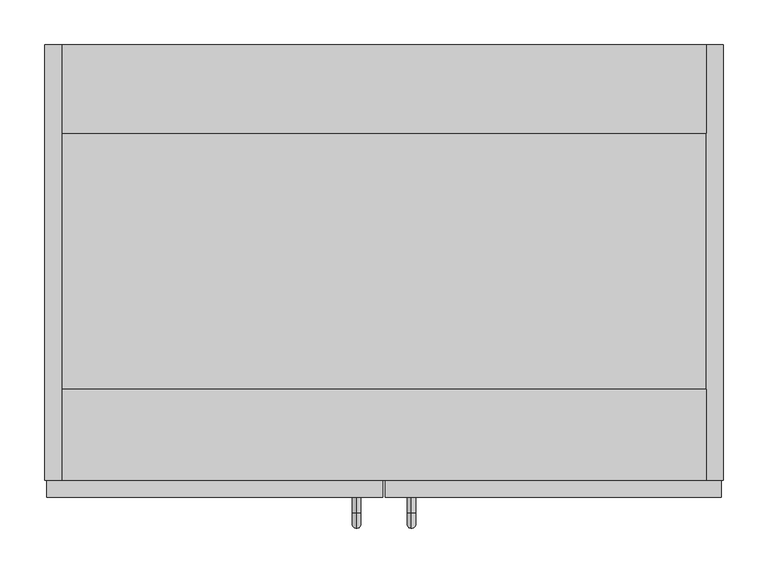
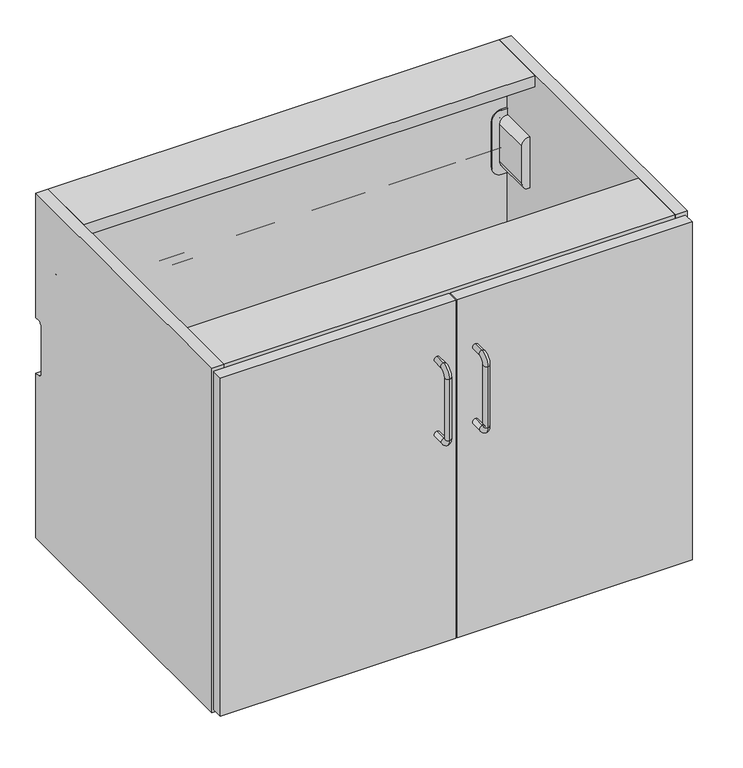
"""IFC4 building model written with IfcOpenShell, lengths in millimetres: furniture geometry."""

from ifc_helpers import new_model, si_unit, point, frame, frame_2d, origin, place, context, project, spatial, polyline, circle_curve, ellipse_curve, trimmed, segment, composite_curve, outline, extrude, source, transform, mapped, element, save
from ifc_brep_helpers import plane_surface, cylinder_surface, revolved_surface, advanced_brep


def furniture_3b9020ba(model_context):
    return source(origin(), model_context, "Body", "SolidModel", [
        extrude(outline(composite_curve([segment(polyline([(-9.5501446, 564.0840487), (-3.0000493, 564.0840487), (-3.0000493, 562.5792956), (-0.7048181, 562.5792956)]), True, "CONTINUOUS"), segment(trimmed(circle_curve(frame_2d((-0.7048181, 561.8745191)), 0.7047764), [point((-0.7048181, 562.5792956))], [point((-4.17e-05, 561.8745192))], False, "CARTESIAN"), True, "CONTINUOUS"), segment(polyline([(-4.17e-05, 561.8745192), (-3.98e-05, 519.8843241), (-2.000049, 519.8843241)]), True, "CONTINUOUS"), segment(trimmed(circle_curve(frame_2d((-1.7912711, 518.6755515)), 1.2266701), [point((-2.000049, 519.8843241))], [point((-3.0000508, 518.8842883))], True, "CARTESIAN"), True, "CONTINUOUS"), segment(trimmed(circle_curve(frame_2d((1.2161345, 518.1562209)), 4.2785863), [point((-3.0000508, 518.8842883))], [point((-0.9918619, 514.4913809))], True, "CARTESIAN"), True, "CONTINUOUS"), segment(trimmed(circle_curve(frame_2d((-2.0494915, 512.7359236)), 2.0494415), [point((-0.9918619, 514.4913809))], [point((-5e-05, 512.7359236))], False, "CARTESIAN"), True, "CONTINUOUS"), segment(polyline([(-5e-05, 512.7359236), (-5e-05, 497.8344588), (-3.0000486, 497.8344588), (-3.0000486, 496.3343081), (-9.3214678, 496.3343081)]), True, "CONTINUOUS"), segment(trimmed(circle_curve(frame_2d((-9.3214678, 497.2628884)), 0.9285803), [point((-9.3214678, 496.3343081))], [point((-10.2500481, 497.2628884))], False, "CARTESIAN"), True, "CONTINUOUS"), segment(polyline([(-10.2500481, 497.2628884), (-10.2500481, 500.6842848), (-8.2500502, 502.6843081), (-4.750053, 502.6843081)]), True, "CONTINUOUS"), segment(trimmed(circle_curve(frame_2d((-4.750053, 503.434313)), 0.7500049), [point((-4.750053, 502.6843081))], [point((-4.0000481, 503.4343131))], True, "CARTESIAN"), True, "CONTINUOUS"), segment(polyline([(-4.0000481, 503.4343131), (-4.0000488, 505.4345761)]), True, "CONTINUOUS"), segment(trimmed(circle_curve(frame_2d((-4.7497612, 505.4345759)), 0.7497123), [point((-4.0000488, 505.4345761))], [point((-4.7497612, 506.1842882))], True, "CARTESIAN"), True, "CONTINUOUS"), segment(polyline([(-4.7497612, 506.1842882), (-8.0000496, 506.1842882), (-8.0000496, 508.1842146), (-4.7500515, 508.1842146)]), True, "CONTINUOUS"), segment(trimmed(circle_curve(frame_2d((-6.3395379, 510.4190246)), 2.7424154), [point((-4.7500515, 508.1842146))], [point((-4.0000513, 511.8499841))], True, "CARTESIAN"), True, "CONTINUOUS"), segment(trimmed(circle_curve(frame_2d((-20.3670715, 501.8390087)), 19.1859058), [point((-4.0000513, 511.8499841))], [point((-6.6449221, 515.2480204))], True, "CARTESIAN"), True, "CONTINUOUS"), segment(trimmed(circle_curve(frame_2d((7.5122438, 529.0821214)), 19.7941328), [point((-6.6449221, 515.2480204))], [point((-7.864877, 516.6180991))], False, "CARTESIAN"), True, "CONTINUOUS"), segment(polyline([(-7.864877, 516.6180991), (-11.0905827, 520.5977186)]), True, "CONTINUOUS"), segment(trimmed(circle_curve(frame_2d((-8.7599469, 522.4868301)), 3.000101), [point((-11.0905827, 520.5977186))], [point((-11.7600479, 522.4868301))], False, "CARTESIAN"), True, "CONTINUOUS"), segment(polyline([(-11.7600479, 522.4868301), (-11.7600479, 529.1309671)]), True, "CONTINUOUS"), segment(trimmed(circle_curve(frame_2d((-10.5537986, 529.1309671)), 1.2062492), [point((-11.7600479, 529.1309671))], [point((-9.3475494, 529.1309671))], False, "CARTESIAN"), True, "CONTINUOUS"), segment(polyline([(-9.3475494, 529.1309671), (-9.3475494, 526.7482947)]), True, "CONTINUOUS"), segment(trimmed(circle_curve(frame_2d((-5.6738416, 526.7729177)), 3.6737903), [point((-9.3475494, 526.7482947))], [point((-2.0000514, 526.7729177))], True, "CARTESIAN"), True, "CONTINUOUS"), segment(polyline([(-2.0000514, 526.7729177), (-2.0000514, 542.0723117)]), True, "CONTINUOUS"), segment(trimmed(circle_curve(frame_2d((-4.2278457, 542.0723117)), 2.2277943), [point((-2.0000514, 542.0723117))], [point((-2.5549945, 543.543582))], True, "CARTESIAN"), True, "CONTINUOUS"), segment(trimmed(circle_curve(frame_2d((-4.2278451, 542.0723107)), 2.2277945), [point((-2.5549945, 543.543582))], [point((-3.2940588, 544.0949603))], True, "CARTESIAN"), True, "CONTINUOUS"), segment(trimmed(circle_curve(frame_2d((-2.7842404, 545.1992644)), 1.2163068), [point((-3.2940588, 544.0949603))], [point((-4.0000431, 545.2342783))], False, "CARTESIAN"), True, "CONTINUOUS"), segment(polyline([(-4.0000431, 545.2342783), (-4.0000428, 556.7345942)]), True, "CONTINUOUS"), segment(trimmed(circle_curve(frame_2d((-4.9997396, 556.7345941)), 0.9996968), [point((-4.0000428, 556.7345942))], [point((-4.9997396, 557.7342909))], True, "CARTESIAN"), True, "CONTINUOUS"), segment(polyline([(-4.9997396, 557.7342909), (-8.2500476, 557.7342909), (-10.2500485, 559.7343142), (-10.2500489, 563.3342883), (-9.5501446, 564.0840487)]), True, "CONTINUOUS")], self_intersect=False)), frame((19.304, 0.0, 0.0), z_axis=(1.0, 0.0, 0.0), x_axis=(0.0, 1.0, 0.0)), (0.0, 0.0, 1.0), 723.392),
        advanced_brep(
        [(739.3672031, -15.7352068, 541.8741769), (739.3672031, -8.4982509, 541.8741769), (733.6499136, -8.4982509, 541.8741769), (733.6499136, -23.4902086, 541.8741769), (742.3428423, -23.4902086, 541.8741769), (742.3428423, -21.5752277, 541.8741769), (739.360055, -8.2962203, 527.8741594), (733.6570616, -8.2962203, 527.8741594), (733.6499136, -23.4902086, 527.8741594), (733.6499136, -15.5720146, 527.8741594), (739.3672031, -15.5720146, 527.8741594), (739.3672031, -15.7352068, 527.8741594), (742.3428423, -21.5752277, 527.8741594), (742.3428423, -23.4902086, 527.8741594), (733.6499136, -8.4982509, 529.0208008), (733.6499136, -9.5295752, 534.8741681), (733.6499136, -14.3245254, 534.8741681), (739.3672031, -8.4982509, 529.0208008), (739.3672031, -14.3245254, 534.8741681), (739.3672031, -9.5295752, 534.8741681)],
        [
            (0, 1),
            (1, 2, circle_curve(frame((736.5085583, -8.4982509, 541.8741769), z_axis=(0.0, 0.0, 1.0), x_axis=(-1.0, 0.0, 0.0)), 2.8586447)),
            (2, 3),
            (3, 4),
            (4, 5),
            (5, 0),
            (6, 7),
            (7, 6, circle_curve(frame((736.5085583, -8.4982509, 527.8741594), z_axis=(0.0, 0.0, -1.0), x_axis=(-1.0, 0.0, 0.0)), 2.8586447)),
            (8, 9),
            (9, 10),
            (10, 11),
            (11, 12),
            (12, 13),
            (13, 8),
            (5, 12),
            (11, 0),
            (2, 14),
            (14, 15),
            (15, 16),
            (16, 9),
            (8, 3),
            (1, 17),
            (17, 6, ellipse_curve(frame((736.5085583, -8.4982509, 529.0208008), z_axis=(0.0, 0.9848302513804711, 0.17352053470952136), x_axis=(0.0, -0.17352053470952136, 0.984830251380471)), 16.4743886, 2.8586447)),
            (7, 14, ellipse_curve(frame((736.5085583, -8.4982509, 529.0208008), z_axis=(0.0, 0.9848302513804711, 0.17352053470952136), x_axis=(0.0, -0.17352053470952136, 0.984830251380471)), 16.4743886, 2.8586447)),
            (10, 18),
            (18, 19),
            (19, 17),
            (4, 13),
            (18, 16),
            (15, 19),
        ],
        [
            plane_surface(frame((742.2500427, -21.3930983, 541.8741769), z_axis=(0.0, 0.0, 1.0), x_axis=(0.45399049973954764, -0.8910065241883675, 0.0))),
            plane_surface(frame((742.2500427, -21.3930983, 527.8741594), z_axis=(0.0, 0.0, -1.0), x_axis=(-0.45399049973954764, 0.8910065241883675, 0.0))),
            plane_surface(frame((739.3672031, -15.7352068, 541.8741769), z_axis=(0.8910065241883675, 0.45399049973954764, 0.0), x_axis=(0.0, 0.0, -1.0))),
            plane_surface(frame((733.6499136, -23.4902086, 541.8741769), z_axis=(-1.0, 0.0, 0.0), x_axis=(0.0, 0.0, -1.0))),
            cylinder_surface(frame((736.5085583, -8.4982509, 527.8741594), z_axis=(0.0, 0.0, 1.0), x_axis=(-1.0, 0.0, 0.0)), 2.8586447),
            plane_surface(frame((739.3672031, -8.4982509, 541.8741769), z_axis=(1.0, 0.0, 0.0), x_axis=(0.0, 0.0, -1.0))),
            plane_surface(frame((742.3428423, -21.5752277, 541.8741769), z_axis=(1.0, 0.0, 0.0), x_axis=(0.0, 0.0, -1.0))),
            plane_surface(frame((742.3428423, -23.4902086, 541.8741769), z_axis=(0.0, -1.0, 0.0), x_axis=(0.0, 0.0, -1.0))),
            plane_surface(frame((680.5727603, -9.5295752, 534.8741681), z_axis=(0.0, 0.0, -1.0), x_axis=(1.0, 0.0, 0.0))),
            plane_surface(frame((680.5727603, -14.3245254, 534.8741681), z_axis=(0.0, 0.9844886613913678, -0.1754482134187542), x_axis=(1.0, 0.0, 0.0))),
            plane_surface(frame((680.5727603, -8.2962203, 527.8741594), z_axis=(0.0, -0.9848302513804711, -0.17352053470952136), x_axis=(1.0, 0.0, 0.0))),
        ],
        [
            (0, [[1, 2, 3, 4, 5, 6]]),
            (1, [[7, 8]]),
            (1, [[9, 10, 11, 12, 13, 14]]),
            (2, [[15, -12, 16, -6]]),
            (3, [[17, 18, 19, 20, -9, 21, -3]]),
            (4, [[22, 23, -8, 24, -17, -2]]),
            (5, [[-16, -11, 25, 26, 27, -22, -1]]),
            (6, [[28, -13, -15, -5]]),
            (7, [[-21, -14, -28, -4]]),
            (8, [[-26, 29, -19, 30]]),
            (9, [[-25, -10, -20, -29]]),
            (10, [[-18, -24, -7, -23, -27, -30]]),
        ],
    ),
        extrude(outline(composite_curve([segment(trimmed(circle_curve(frame_2d((557.6740846, 739.1999564)), 1.499963), [point((557.6740846, 740.6999193))], [point((556.1741216, 739.1999564))], True, "CARTESIAN"), True, "CONTINUOUS"), segment(trimmed(circle_curve(frame_2d((553.6935452, 739.1999564)), 2.4805765), [point((556.1741216, 739.1999564))], [point((554.6227855, 736.9000059))], False, "CARTESIAN"), True, "CONTINUOUS"), segment(polyline([(554.6227855, 736.9000059), (522.2372144, 736.9000059)]), True, "CONTINUOUS"), segment(trimmed(circle_curve(frame_2d((522.2372144, 738.5153186)), 1.6153127), [point((522.2372144, 736.9000059))], [point((520.774193, 739.2000109))], False, "CARTESIAN"), True, "CONTINUOUS"), segment(trimmed(circle_curve(frame_2d((519.2741756, 739.1999019)), 1.5000175), [point((520.774193, 739.2000109))], [point((519.2741756, 740.6999193))], True, "CARTESIAN"), True, "CONTINUOUS"), segment(polyline([(519.2741756, 740.6999193), (490.8741286, 740.6999193), (490.8741286, 742.8000818), (521.3741927, 742.8000818)]), True, "CONTINUOUS"), segment(trimmed(circle_curve(frame_2d((521.3741927, 741.1609414)), 1.6391404), [point((521.3741927, 742.8000818))], [point((522.8741739, 740.5000042))], False, "CARTESIAN"), True, "CONTINUOUS"), segment(trimmed(circle_curve(frame_2d((523.9153989, 740.0412088)), 1.1378237), [point((522.8741739, 740.5000042))], [point((524.3741186, 738.9999504))], True, "CARTESIAN"), True, "CONTINUOUS"), segment(polyline([(524.3741186, 738.9999504), (552.5741415, 738.9999504)]), True, "CONTINUOUS"), segment(trimmed(circle_curve(frame_2d((552.5741415, 740.3471498)), 1.3471994), [point((552.5741415, 738.9999504))], [point((553.8743338, 740.6999193))], True, "CARTESIAN"), True, "CONTINUOUS"), segment(trimmed(circle_curve(frame_2d((555.4825317, 741.1362572)), 1.6663407), [point((553.8743338, 740.6999193))], [point((555.5740674, 742.8000818))], False, "CARTESIAN"), True, "CONTINUOUS"), segment(polyline([(555.5740674, 742.8000818), (571.0741388, 742.8000818), (571.0741388, 740.6999193), (557.6740846, 740.6999193)]), True, "CONTINUOUS")], self_intersect=False)), frame((0.0, -23.4902086, 0.0), z_axis=(0.0, 1.0, 0.0), x_axis=(0.0, 0.0, 1.0)), (0.0, 0.0, 1.0), 3.1878868),
        extrude(outline(composite_curve([segment(polyline([(574.1219542, 742.8000818), (585.3218883, 742.8000818), (585.3218883, 733.0997675)]), True, "CONTINUOUS"), segment(trimmed(circle_curve(frame_2d((570.3221841, 733.0997675)), 14.9997042), [point((585.3218883, 733.0997675))], [point((570.3221841, 718.1000633))], False, "CARTESIAN"), True, "CONTINUOUS"), segment(polyline([(570.3221841, 718.1000633), (491.6179785, 718.1000633)]), True, "CONTINUOUS"), segment(trimmed(circle_curve(frame_2d((491.6179785, 733.1000198)), 14.9999565), [point((491.6179785, 718.1000633))], [point((476.618022, 733.1000198))], False, "CARTESIAN"), True, "CONTINUOUS"), segment(polyline([(476.618022, 733.1000198), (476.618022, 742.8000818), (487.4540103, 742.8000818)]), True, "CONTINUOUS"), segment(trimmed(circle_curve(frame_2d((499.3179082, 741.7856737)), 11.9071868), [point((487.4540103, 742.8000818))], [point((499.3179082, 729.8784868))], True, "CARTESIAN"), True, "CONTINUOUS"), segment(polyline([(499.3179082, 729.8784868), (562.6220384, 729.8784868)]), True, "CONTINUOUS"), segment(trimmed(circle_curve(frame_2d((562.6220384, 741.4566117)), 11.5781249), [point((562.6220384, 729.8784868))], [point((574.1219542, 742.8000818))], True, "CARTESIAN"), True, "CONTINUOUS")], self_intersect=False)), frame((0.0, -23.4902086, 0.0), z_axis=(0.0, 1.0, 0.0), x_axis=(0.0, 0.0, 1.0)), (0.0, 0.0, 1.0), 2.0971104),
        extrude(outline(composite_curve([segment(polyline([(487.4540103, 742.8000818), (574.1219542, 742.8000818)]), True, "CONTINUOUS"), segment(trimmed(circle_curve(frame_2d((562.6220384, 741.4566117)), 11.5781249), [point((574.1219542, 742.8000818))], [point((562.6220384, 729.8784868))], False, "CARTESIAN"), True, "CONTINUOUS"), segment(polyline([(562.6220384, 729.8784868), (499.3179082, 729.8784868)]), True, "CONTINUOUS"), segment(trimmed(circle_curve(frame_2d((499.3179082, 741.7856737)), 11.9071868), [point((499.3179082, 729.8784868))], [point((487.4540103, 742.8000818))], False, "CARTESIAN"), True, "CONTINUOUS")], self_intersect=False)), frame((0.0, -85.5646173, 0.0), z_axis=(0.0, 1.0, 0.0), x_axis=(0.0, 0.0, 1.0)), (0.0, 0.0, 1.0), 62.0744087),
        advanced_brep(
        [(22.6327969, -15.7352068, 541.8741769), (19.6571577, -21.5752277, 541.8741769), (19.6571577, -23.4902086, 541.8741769), (28.3500864, -23.4902086, 541.8741769), (28.3500864, -8.4982509, 541.8741769), (22.6327969, -8.4982509, 541.8741769), (28.3500864, -23.4902086, 527.8741594), (19.6571577, -23.4902086, 527.8741594), (19.6571577, -21.5752277, 527.8741594), (22.6327969, -15.7352068, 527.8741594), (22.6327969, -15.5720146, 527.8741594), (28.3500864, -15.5720146, 527.8741594), (22.639945, -8.2962203, 527.8741594), (28.3429384, -8.2962203, 527.8741594), (28.3500864, -14.3245254, 534.8741681), (28.3500864, -9.5295752, 534.8741681), (28.3500864, -8.4982509, 529.0208008), (22.6327969, -8.4982509, 529.0208008), (22.6327969, -9.5295752, 534.8741681), (22.6327969, -14.3245254, 534.8741681)],
        [
            (0, 1),
            (1, 2),
            (2, 3),
            (3, 4),
            (4, 5, circle_curve(frame((25.4914417, -8.4982509, 541.8741769), z_axis=(0.0, 0.0, 1.0), x_axis=(1.0, 0.0, 0.0)), 2.8586447)),
            (5, 0),
            (6, 7),
            (7, 8),
            (8, 9),
            (9, 10),
            (10, 11),
            (11, 6),
            (12, 13, circle_curve(frame((25.4914417, -8.4982509, 527.8741594), z_axis=(0.0, 0.0, -1.0), x_axis=(1.0, 0.0, 0.0)), 2.8586447)),
            (13, 12),
            (0, 9),
            (8, 1),
            (3, 6),
            (11, 14),
            (14, 15),
            (15, 16),
            (16, 4),
            (16, 13, ellipse_curve(frame((25.4914417, -8.4982509, 529.0208008), z_axis=(0.0, 0.9848302513804711, 0.17352053470952136), x_axis=(0.0, -0.17352053470952136, 0.984830251380471)), 16.4743886, 2.8586447)),
            (12, 17, ellipse_curve(frame((25.4914417, -8.4982509, 529.0208008), z_axis=(0.0, 0.9848302513804711, 0.17352053470952136), x_axis=(0.0, -0.17352053470952136, 0.984830251380471)), 16.4743886, 2.8586447)),
            (17, 5),
            (17, 18),
            (18, 19),
            (19, 10),
            (7, 2),
            (18, 15),
            (14, 19),
        ],
        [
            plane_surface(frame((19.7499573, -21.3930983, 541.8741769), z_axis=(0.0, 0.0, 1.0), x_axis=(-0.45399049973954764, -0.8910065241883675, 0.0))),
            plane_surface(frame((19.7499573, -21.3930983, 527.8741594), z_axis=(0.0, 0.0, -1.0), x_axis=(0.45399049973954764, 0.8910065241883675, 0.0))),
            plane_surface(frame((22.6327969, -15.7352068, 541.8741769), z_axis=(-0.8910065241883675, 0.45399049973954764, 0.0), x_axis=(0.0, 0.0, -1.0))),
            plane_surface(frame((28.3500864, -23.4902086, 541.8741769), z_axis=(1.0, 0.0, 0.0), x_axis=(0.0, 0.0, -1.0))),
            cylinder_surface(frame((25.4914417, -8.4982509, 527.8741594), z_axis=(0.0, 0.0, 1.0), x_axis=(1.0, 0.0, 0.0)), 2.8586447),
            plane_surface(frame((22.6327969, -8.4982509, 541.8741769), z_axis=(-1.0, 0.0, 0.0), x_axis=(0.0, 0.0, -1.0))),
            plane_surface(frame((19.6571577, -21.5752277, 541.8741769), z_axis=(-1.0, 0.0, 0.0), x_axis=(0.0, 0.0, -1.0))),
            plane_surface(frame((19.6571577, -23.4902086, 541.8741769), z_axis=(0.0, -1.0, 0.0), x_axis=(0.0, 0.0, -1.0))),
            plane_surface(frame((81.4272397, -9.5295752, 534.8741681), z_axis=(0.0, 0.0, -1.0), x_axis=(-1.0, 0.0, 0.0))),
            plane_surface(frame((81.4272397, -14.3245254, 534.8741681), z_axis=(0.0, 0.9844886613913678, -0.1754482134187542), x_axis=(-1.0, 0.0, 0.0))),
            plane_surface(frame((81.4272397, -8.2962203, 527.8741594), z_axis=(0.0, -0.9848302513804711, -0.17352053470952136), x_axis=(-1.0, 0.0, 0.0))),
        ],
        [
            (0, [[1, 2, 3, 4, 5, 6]]),
            (1, [[7, 8, 9, 10, 11, 12]]),
            (1, [[13, 14]]),
            (2, [[-1, 15, -9, 16]]),
            (3, [[-4, 17, -12, 18, 19, 20, 21]]),
            (4, [[-5, -21, 22, -13, 23, 24]]),
            (5, [[-6, -24, 25, 26, 27, -10, -15]]),
            (6, [[-2, -16, -8, 28]]),
            (7, [[-3, -28, -7, -17]]),
            (8, [[29, -19, 30, -26]]),
            (9, [[-30, -18, -11, -27]]),
            (10, [[-29, -25, -23, -14, -22, -20]]),
        ],
    ),
        extrude(outline(composite_curve([segment(polyline([(557.6740846, 21.3000807), (571.0741388, 21.3000807), (571.0741388, 19.1999182), (555.5740674, 19.1999182)]), True, "CONTINUOUS"), segment(trimmed(circle_curve(frame_2d((555.4825317, 20.8637428)), 1.6663407), [point((555.5740674, 19.1999182))], [point((553.8743338, 21.3000807))], False, "CARTESIAN"), True, "CONTINUOUS"), segment(trimmed(circle_curve(frame_2d((552.5741415, 21.6528502)), 1.3471994), [point((553.8743338, 21.3000807))], [point((552.5741415, 23.0000496))], True, "CARTESIAN"), True, "CONTINUOUS"), segment(polyline([(552.5741415, 23.0000496), (524.3741186, 23.0000496)]), True, "CONTINUOUS"), segment(trimmed(circle_curve(frame_2d((523.9153989, 21.9587912)), 1.1378237), [point((524.3741186, 23.0000496))], [point((522.8741739, 21.4999958))], True, "CARTESIAN"), True, "CONTINUOUS"), segment(trimmed(circle_curve(frame_2d((521.3741927, 20.8390586)), 1.6391404), [point((522.8741739, 21.4999958))], [point((521.3741927, 19.1999182))], False, "CARTESIAN"), True, "CONTINUOUS"), segment(polyline([(521.3741927, 19.1999182), (490.8741286, 19.1999182), (490.8741286, 21.3000807), (519.2741756, 21.3000807)]), True, "CONTINUOUS"), segment(trimmed(circle_curve(frame_2d((519.2741756, 22.8000981)), 1.5000175), [point((519.2741756, 21.3000807))], [point((520.774193, 22.7999891))], True, "CARTESIAN"), True, "CONTINUOUS"), segment(trimmed(circle_curve(frame_2d((522.2372144, 23.4846814)), 1.6153127), [point((520.774193, 22.7999891))], [point((522.2372144, 25.0999941))], False, "CARTESIAN"), True, "CONTINUOUS"), segment(polyline([(522.2372144, 25.0999941), (554.6227855, 25.0999941)]), True, "CONTINUOUS"), segment(trimmed(circle_curve(frame_2d((553.6935452, 22.8000436)), 2.4805765), [point((554.6227855, 25.0999941))], [point((556.1741216, 22.8000436))], False, "CARTESIAN"), True, "CONTINUOUS"), segment(trimmed(circle_curve(frame_2d((557.6740846, 22.8000436)), 1.499963), [point((556.1741216, 22.8000436))], [point((557.6740846, 21.3000807))], True, "CARTESIAN"), True, "CONTINUOUS")], self_intersect=False)), frame((0.0, -23.4902086, 0.0), z_axis=(0.0, 1.0, 0.0), x_axis=(0.0, 0.0, 1.0)), (0.0, 0.0, 1.0), 3.1878868),
        extrude(outline(composite_curve([segment(trimmed(circle_curve(frame_2d((562.6220384, 20.5433883)), 11.5781249), [point((574.1219542, 19.1999182))], [point((562.6220384, 32.1215132))], True, "CARTESIAN"), True, "CONTINUOUS"), segment(polyline([(562.6220384, 32.1215132), (499.3179082, 32.1215132)]), True, "CONTINUOUS"), segment(trimmed(circle_curve(frame_2d((499.3179082, 20.2143263)), 11.9071868), [point((499.3179082, 32.1215132))], [point((487.4540103, 19.1999182))], True, "CARTESIAN"), True, "CONTINUOUS"), segment(polyline([(487.4540103, 19.1999182), (476.618022, 19.1999182), (476.618022, 28.8999802)]), True, "CONTINUOUS"), segment(trimmed(circle_curve(frame_2d((491.6179785, 28.8999802)), 14.9999565), [point((476.618022, 28.8999802))], [point((491.6179785, 43.8999367))], False, "CARTESIAN"), True, "CONTINUOUS"), segment(polyline([(491.6179785, 43.8999367), (570.3221841, 43.8999367)]), True, "CONTINUOUS"), segment(trimmed(circle_curve(frame_2d((570.3221841, 28.9002325)), 14.9997042), [point((570.3221841, 43.8999367))], [point((585.3218883, 28.9002325))], False, "CARTESIAN"), True, "CONTINUOUS"), segment(polyline([(585.3218883, 28.9002325), (585.3218883, 19.1999182), (574.1219542, 19.1999182)]), True, "CONTINUOUS")], self_intersect=False)), frame((0.0, -23.4902086, 0.0), z_axis=(0.0, 1.0, 0.0), x_axis=(0.0, 0.0, 1.0)), (0.0, 0.0, 1.0), 2.0971104),
        extrude(outline(composite_curve([segment(trimmed(circle_curve(frame_2d((499.3179082, 20.2143263)), 11.9071868), [point((487.4540103, 19.1999182))], [point((499.3179082, 32.1215132))], False, "CARTESIAN"), True, "CONTINUOUS"), segment(polyline([(499.3179082, 32.1215132), (562.6220384, 32.1215132)]), True, "CONTINUOUS"), segment(trimmed(circle_curve(frame_2d((562.6220384, 20.5433883)), 11.5781249), [point((562.6220384, 32.1215132))], [point((574.1219542, 19.1999182))], False, "CARTESIAN"), True, "CONTINUOUS"), segment(polyline([(574.1219542, 19.1999182), (487.4540103, 19.1999182)]), True, "CONTINUOUS")], self_intersect=False)), frame((0.0, -85.5646173, 0.0), z_axis=(0.0, 1.0, 0.0), x_axis=(0.0, 0.0, 1.0)), (0.0, 0.0, 1.0), 62.0744087),
        extrude(outline(polyline([(759.4998619, -488.8000092), (19.1999182, -488.8000092), (19.1999182, -21.29979), (759.4998619, -21.29979), (759.4998619, -488.8000092)])), frame((0.0, 0.0, 102.3999724), z_axis=(0.0, 0.0, 1.0), x_axis=(1.0, 0.0, 0.0)), (0.0, 0.0, 1.0), 13.4000087),
        advanced_brep(
        [(350.1761072, -508.0, 586.0154803), (350.1761072, -508.0, 595.6684644), (350.1761072, -525.4719955, 595.6684644), (350.1761072, -525.4719955, 586.0154803), (350.1761072, -533.3455035, 578.1419724), (350.1761072, -542.9984876, 578.1419724), (350.1761072, -542.9984876, 474.2914197), (350.1761072, -533.3455035, 474.2914197), (350.1761072, -527.7225483, 468.6684644), (350.1761072, -527.7225483, 459.0154803), (350.1761072, -508.0, 468.6684644), (350.1761072, -508.0, 459.0154803)],
        [
            (0, 1, circle_curve(frame((350.1761072, -508.0, 590.8419724), z_axis=(0.0, 1.0, 0.0), x_axis=(0.0, 0.0, 1.0)), 4.8264921)),
            (1, 0, circle_curve(frame((350.1761072, -508.0, 590.8419724), z_axis=(0.0, 1.0, 0.0), x_axis=(0.0, 0.0, 1.0)), 4.8264921)),
            (1, 2),
            (2, 3, circle_curve(frame((350.1761072, -525.4719955, 590.8419724), z_axis=(0.0, 1.0, 0.0), x_axis=(0.0, 0.0, 1.0)), 4.8264921)),
            (3, 0),
            (3, 2, circle_curve(frame((350.1761072, -525.4719955, 590.8419724), z_axis=(0.0, 1.0, 0.0), x_axis=(0.0, 0.0, 1.0)), 4.8264921)),
            (4, 3, circle_curve(frame((350.1761072, -525.4719955, 578.1419724), z_axis=(-1.0, 0.0, 0.0), x_axis=(0.0, 0.0, 1.0)), 7.8735079)),
            (2, 5, circle_curve(frame((350.1761072, -525.4719955, 578.1419724), z_axis=(1.0, 0.0, 0.0), x_axis=(0.0, 0.0, 1.0)), 17.5264921)),
            (5, 4, circle_curve(frame((350.1761072, -538.1719955, 578.1419724), z_axis=(0.0, 0.0, 1.0), x_axis=(0.0, -1.0, 0.0)), 4.8264921)),
            (4, 5, circle_curve(frame((350.1761072, -538.1719955, 578.1419724), z_axis=(0.0, 0.0, 1.0), x_axis=(0.0, -1.0, 0.0)), 4.8264921)),
            (5, 6),
            (6, 7, circle_curve(frame((350.1761072, -538.1719955, 474.2914197), z_axis=(0.0, 0.0, 1.0), x_axis=(0.0, -1.0, 0.0)), 4.8264921)),
            (7, 4),
            (7, 6, circle_curve(frame((350.1761072, -538.1719955, 474.2914197), z_axis=(0.0, 0.0, 1.0), x_axis=(0.0, -1.0, 0.0)), 4.8264921)),
            (8, 7, circle_curve(frame((350.1761072, -527.7225483, 474.2914197), z_axis=(-1.0, 0.0, 0.0), x_axis=(0.0, -1.0, 0.0)), 5.6229552)),
            (6, 9, circle_curve(frame((350.1761072, -527.7225483, 474.2914197), z_axis=(1.0, 0.0, 0.0), x_axis=(0.0, -1.0, 0.0)), 15.2759393)),
            (9, 8, circle_curve(frame((350.1761072, -527.7225483, 463.8419724), z_axis=(0.0, -1.0, 0.0), x_axis=(0.0, 0.0, -1.0)), 4.8264921)),
            (8, 9, circle_curve(frame((350.1761072, -527.7225483, 463.8419724), z_axis=(0.0, -1.0, 0.0), x_axis=(0.0, 0.0, -1.0)), 4.8264921)),
            (10, 11, circle_curve(frame((350.1761072, -508.0, 463.8419724), z_axis=(0.0, 1.0, 0.0), x_axis=(0.0, 0.0, -1.0)), 4.8264921)),
            (11, 10, circle_curve(frame((350.1761072, -508.0, 463.8419724), z_axis=(0.0, 1.0, 0.0), x_axis=(0.0, 0.0, -1.0)), 4.8264921)),
            (9, 11),
            (10, 8),
        ],
        [
            plane_surface(frame((350.266, -508.0, 590.8419724), z_axis=(0.0, 1.0, 0.0), x_axis=(-1.0, 0.0, 0.0))),
            cylinder_surface(frame((350.1761072, -508.0, 590.8419724), z_axis=(0.0, 1.0, 0.0), x_axis=(0.0, 0.0, 1.0)), 4.8264921),
            revolved_surface(trimmed(ellipse_curve(frame((350.1761072, -525.4719955, 590.8419724), z_axis=(0.0, 1.0, 0.0), x_axis=(0.0, 0.0, 1.0)), 4.8264921, 4.8264921), [point((350.1761072, -525.4719955, 595.6684644))], [point((350.1761072, -525.4719955, 586.0154803))], True, "CARTESIAN"), (350.266, -525.4719955, 578.1419724), (1.0, 0.0, 0.0)),
            revolved_surface(trimmed(ellipse_curve(frame((350.1761072, -525.4719955, 590.8419724), z_axis=(0.0, 1.0, 0.0), x_axis=(0.0, 0.0, 1.0)), 4.8264921, 4.8264921), [point((350.1761072, -525.4719955, 586.0154803))], [point((350.1761072, -525.4719955, 595.6684644))], True, "CARTESIAN"), (350.266, -525.4719955, 578.1419724), (1.0, 0.0, 0.0)),
            cylinder_surface(frame((350.1761072, -538.1719955, 578.1419724), z_axis=(0.0, 0.0, 1.0), x_axis=(0.0, -1.0, 0.0)), 4.8264921),
            revolved_surface(trimmed(ellipse_curve(frame((350.1761072, -538.1719955, 474.2914197), z_axis=(0.0, 0.0, 1.0), x_axis=(0.0, -1.0, 0.0)), 4.8264921, 4.8264921), [point((350.1761072, -542.9984876, 474.2914197))], [point((350.1761072, -533.3455035, 474.2914197))], True, "CARTESIAN"), (350.266, -527.7225483, 474.2914197), (1.0, 0.0, 0.0)),
            revolved_surface(trimmed(ellipse_curve(frame((350.1761072, -538.1719955, 474.2914197), z_axis=(0.0, 0.0, 1.0), x_axis=(0.0, -1.0, 0.0)), 4.8264921, 4.8264921), [point((350.1761072, -533.3455035, 474.2914197))], [point((350.1761072, -542.9984876, 474.2914197))], True, "CARTESIAN"), (350.266, -527.7225483, 474.2914197), (1.0, 0.0, 0.0)),
            plane_surface(frame((350.266, -508.0, 463.8419724), z_axis=(0.0, 1.0, 0.0), x_axis=(-1.0, 0.0, 0.0))),
            cylinder_surface(frame((350.1761072, -527.7225483, 463.8419724), z_axis=(0.0, -1.0, 0.0), x_axis=(0.0, 0.0, -1.0)), 4.8264921),
        ],
        [
            (0, [[1, 2]]),
            (1, [[-2, 3, 4, 5]]),
            (1, [[-1, -5, 6, -3]]),
            (2, [[7, -4, 8, 9]]),
            (3, [[-8, -6, -7, 10]]),
            (4, [[-9, 11, 12, 13]]),
            (4, [[-10, -13, 14, -11]]),
            (5, [[15, -12, 16, 17]]),
            (6, [[-16, -14, -15, 18]]),
            (7, [[19, 20]]),
            (8, [[-17, 21, -19, 22]]),
            (8, [[-18, -22, -20, -21]]),
        ],
    ),
        advanced_brep(
        [(411.8238928, -508.0, 595.6684644), (411.8238928, -508.0, 586.0154803), (411.8238928, -525.4719955, 595.6684644), (411.8238928, -525.4719955, 586.0154803), (411.8238928, -533.3455035, 578.1419724), (411.8238928, -542.9984876, 578.1419724), (411.8238928, -542.9984876, 474.2914197), (411.8238928, -533.3455035, 474.2914197), (411.8238928, -527.7225483, 468.6684644), (411.8238928, -527.7225483, 459.0154803), (411.8238928, -508.0, 459.0154803), (411.8238928, -508.0, 468.6684644)],
        [
            (0, 1, circle_curve(frame((411.8238928, -508.0, 590.8419724), z_axis=(0.0, 1.0, 0.0), x_axis=(0.0, 0.0, -1.0)), 4.8264921)),
            (1, 0, circle_curve(frame((411.8238928, -508.0, 590.8419724), z_axis=(0.0, 1.0, 0.0), x_axis=(0.0, 0.0, -1.0)), 4.8264921)),
            (0, 2),
            (2, 3, circle_curve(frame((411.8238928, -525.4719955, 590.8419724), z_axis=(0.0, 1.0, 0.0), x_axis=(0.0, 0.0, -1.0)), 4.8264921)),
            (3, 1),
            (3, 2, circle_curve(frame((411.8238928, -525.4719955, 590.8419724), z_axis=(0.0, 1.0, 0.0), x_axis=(0.0, 0.0, -1.0)), 4.8264921)),
            (4, 3, circle_curve(frame((411.8238928, -525.4719955, 578.1419724), z_axis=(-1.0, 0.0, 0.0), x_axis=(0.0, 0.0, 1.0)), 7.8735079)),
            (2, 5, circle_curve(frame((411.8238928, -525.4719955, 578.1419724), z_axis=(1.0, 0.0, 0.0), x_axis=(0.0, 0.0, 1.0)), 17.5264921)),
            (5, 4, circle_curve(frame((411.8238928, -538.1719955, 578.1419724), z_axis=(0.0, 0.0, 1.0), x_axis=(0.0, 1.0, 0.0)), 4.8264921)),
            (4, 5, circle_curve(frame((411.8238928, -538.1719955, 578.1419724), z_axis=(0.0, 0.0, 1.0), x_axis=(0.0, 1.0, 0.0)), 4.8264921)),
            (5, 6),
            (6, 7, circle_curve(frame((411.8238928, -538.1719955, 474.2914197), z_axis=(0.0, 0.0, 1.0), x_axis=(0.0, 1.0, 0.0)), 4.8264921)),
            (7, 4),
            (7, 6, circle_curve(frame((411.8238928, -538.1719955, 474.2914197), z_axis=(0.0, 0.0, 1.0), x_axis=(0.0, 1.0, 0.0)), 4.8264921)),
            (8, 7, circle_curve(frame((411.8238928, -527.7225483, 474.2914197), z_axis=(-1.0, 0.0, 0.0), x_axis=(0.0, -1.0, 0.0)), 5.6229552)),
            (6, 9, circle_curve(frame((411.8238928, -527.7225483, 474.2914197), z_axis=(1.0, 0.0, 0.0), x_axis=(0.0, -1.0, 0.0)), 15.2759393)),
            (9, 8, circle_curve(frame((411.8238928, -527.7225483, 463.8419724), z_axis=(0.0, -1.0, 0.0), x_axis=(0.0, 0.0, 1.0)), 4.8264921)),
            (8, 9, circle_curve(frame((411.8238928, -527.7225483, 463.8419724), z_axis=(0.0, -1.0, 0.0), x_axis=(0.0, 0.0, 1.0)), 4.8264921)),
            (10, 11, circle_curve(frame((411.8238928, -508.0, 463.8419724), z_axis=(0.0, 1.0, 0.0), x_axis=(0.0, 0.0, 1.0)), 4.8264921)),
            (11, 10, circle_curve(frame((411.8238928, -508.0, 463.8419724), z_axis=(0.0, 1.0, 0.0), x_axis=(0.0, 0.0, 1.0)), 4.8264921)),
            (9, 10),
            (11, 8),
        ],
        [
            plane_surface(frame((411.734, -508.0, 590.8419724), z_axis=(0.0, 1.0, 0.0), x_axis=(1.0, 0.0, 0.0))),
            cylinder_surface(frame((411.8238928, -508.0, 590.8419724), z_axis=(0.0, 1.0, 0.0), x_axis=(0.0, 0.0, -1.0)), 4.8264921),
            revolved_surface(trimmed(ellipse_curve(frame((411.8238928, -525.4719955, 590.8419724), z_axis=(0.0, 1.0, 0.0), x_axis=(0.0, 0.0, -1.0)), 4.8264921, 4.8264921), [point((411.8238928, -525.4719955, 595.6684644))], [point((411.8238928, -525.4719955, 586.0154803))], True, "CARTESIAN"), (411.734, -525.4719955, 578.1419724), (1.0, 0.0, 0.0)),
            revolved_surface(trimmed(ellipse_curve(frame((411.8238928, -525.4719955, 590.8419724), z_axis=(0.0, 1.0, 0.0), x_axis=(0.0, 0.0, -1.0)), 4.8264921, 4.8264921), [point((411.8238928, -525.4719955, 586.0154803))], [point((411.8238928, -525.4719955, 595.6684644))], True, "CARTESIAN"), (411.734, -525.4719955, 578.1419724), (1.0, 0.0, 0.0)),
            cylinder_surface(frame((411.8238928, -538.1719955, 578.1419724), z_axis=(0.0, 0.0, 1.0), x_axis=(0.0, 1.0, 0.0)), 4.8264921),
            revolved_surface(trimmed(ellipse_curve(frame((411.8238928, -538.1719955, 474.2914197), z_axis=(0.0, 0.0, 1.0), x_axis=(0.0, 1.0, 0.0)), 4.8264921, 4.8264921), [point((411.8238928, -542.9984876, 474.2914197))], [point((411.8238928, -533.3455035, 474.2914197))], True, "CARTESIAN"), (411.734, -527.7225483, 474.2914197), (1.0, 0.0, 0.0)),
            revolved_surface(trimmed(ellipse_curve(frame((411.8238928, -538.1719955, 474.2914197), z_axis=(0.0, 0.0, 1.0), x_axis=(0.0, 1.0, 0.0)), 4.8264921, 4.8264921), [point((411.8238928, -533.3455035, 474.2914197))], [point((411.8238928, -542.9984876, 474.2914197))], True, "CARTESIAN"), (411.734, -527.7225483, 474.2914197), (1.0, 0.0, 0.0)),
            plane_surface(frame((411.734, -508.0, 463.8419724), z_axis=(0.0, 1.0, 0.0), x_axis=(1.0, 0.0, 0.0))),
            cylinder_surface(frame((411.8238928, -527.7225483, 463.8419724), z_axis=(0.0, -1.0, 0.0), x_axis=(0.0, 0.0, 1.0)), 4.8264921),
        ],
        [
            (0, [[1, 2]]),
            (1, [[-1, 3, 4, 5]]),
            (1, [[-2, -5, 6, -3]]),
            (2, [[7, -4, 8, 9]]),
            (3, [[-8, -6, -7, 10]]),
            (4, [[-9, 11, 12, 13]]),
            (4, [[-10, -13, 14, -11]]),
            (5, [[15, -12, 16, 17]]),
            (6, [[-16, -14, -15, 18]]),
            (7, [[19, 20]]),
            (8, [[-17, 21, -20, 22]]),
            (8, [[-18, -22, -19, -21]]),
        ],
    ),
        extrude(outline(polyline([(379.73, -508.0), (2.4999928, -508.0), (2.4999928, -488.8000092), (379.73, -488.8000092), (379.73, -508.0)])), frame((0.0, 0.0, 107.2000337), z_axis=(0.0, 0.0, 1.0), x_axis=(1.0, 0.0, 0.0)), (0.0, 0.0, 1.0), 573.0501083),
        extrude(outline(polyline([(759.4998619, -508.0), (382.27, -508.0), (382.27, -488.8000092), (759.4998619, -488.8000092), (759.4998619, -508.0)])), frame((0.0, 0.0, 107.2000337), z_axis=(0.0, 0.0, 1.0), x_axis=(1.0, 0.0, 0.0)), (0.0, 0.0, 1.0), 573.0501083),
        extrude(outline(composite_curve([segment(polyline([(667.1999937, 19.1999182), (581.2354735, 19.1999182)]), True, "CONTINUOUS"), segment(trimmed(circle_curve(frame_2d((569.7355577, 20.5433883)), 11.5781249), [point((581.2354735, 19.1999182))], [point((569.7355577, 32.1215132))], True, "CARTESIAN"), True, "CONTINUOUS"), segment(polyline([(569.7355577, 32.1215132), (506.4314275, 32.1215132)]), True, "CONTINUOUS"), segment(trimmed(circle_curve(frame_2d((506.4314275, 20.2143263)), 11.9071868), [point((506.4314275, 32.1215132))], [point((494.567542, 19.1997728))], True, "CARTESIAN"), True, "CONTINUOUS"), segment(polyline([(494.567542, 19.1997728), (117.1999411, 19.1997728), (117.1999411, 742.8000818), (494.5675296, 742.8000818)]), True, "CONTINUOUS"), segment(trimmed(circle_curve(frame_2d((503.076248, 741.7856737)), 8.5689739), [point((494.5675296, 742.8000818))], [point((503.076248, 733.2166997))], True, "CARTESIAN"), True, "CONTINUOUS"), segment(polyline([(503.076248, 733.2166997), (573.1058218, 733.2166997)]), True, "CONTINUOUS"), segment(trimmed(circle_curve(frame_2d((573.1058218, 741.4566117)), 8.239912), [point((573.1058218, 733.2166997))], [point((581.2354735, 742.8000818))], True, "CARTESIAN"), True, "CONTINUOUS"), segment(polyline([(581.2354735, 742.8000818), (667.1999937, 742.8000818), (667.1999937, 19.1999182)]), True, "CONTINUOUS")], self_intersect=False)), frame((0.0, -21.29979, 0.0), z_axis=(0.0, 1.0, 0.0), x_axis=(0.0, 0.0, 1.0)), (0.0, 0.0, 1.0), 5.5000277),
        extrude(outline(composite_curve([segment(polyline([(0.0, 475.5700027), (-7.0799022, 475.5700027)]), True, "CONTINUOUS"), segment(trimmed(circle_curve(frame_2d((-7.0799022, 467.9500027)), 7.62), [point((-7.0799022, 475.5700027))], [point((-14.6999022, 467.9500027))], True, "CARTESIAN"), True, "CONTINUOUS"), segment(polyline([(-14.6999022, 467.9500027), (-14.6999022, 389.1899991)]), True, "CONTINUOUS"), segment(trimmed(circle_curve(frame_2d((-7.0799022, 389.1899991)), 7.62), [point((-14.6999022, 389.1899991))], [point((-7.0799022, 381.5699991))], True, "CARTESIAN"), True, "CONTINUOUS"), segment(polyline([(-7.0799022, 381.5699991), (0.0, 381.5699991), (0.0, 102.3999724), (-488.8000092, 102.3999724), (-488.8000092, 686.5999724), (0.0, 686.5999724), (0.0, 475.5700027)]), True, "CONTINUOUS")], self_intersect=False)), frame((-0.0001453, 0.0, 0.0), z_axis=(1.0, 0.0, 0.0), x_axis=(0.0, 1.0, 0.0)), (0.0, 0.0, 1.0), 19.1999182),
        extrude(outline(polyline([(742.8000818, 0.0), (742.8000818, -14.6999022), (0.0, -14.6999022), (0.0, 0.0), (742.8000818, 0.0)])), frame((0.0, 0.0, 155.8999135), z_axis=(0.0, 0.0, 1.0), x_axis=(1.0, 0.0, 0.0)), (0.0, 0.0, 1.0), 99.0002253),
        extrude(outline(polyline([(742.8000818, 0.0), (742.8000818, -99.391971), (19.1999182, -99.391971), (19.1999182, 0.0), (742.8000818, 0.0)])), frame((0.0, 0.0, 667.1999937), z_axis=(0.0, 0.0, 1.0), x_axis=(1.0, 0.0, 0.0)), (0.0, 0.0, 1.0), 19.3999786),
        extrude(outline(polyline([(742.8000818, -386.9998276), (742.8000818, -488.8000092), (19.1999182, -488.8000092), (19.1999182, -386.9998276), (742.8000818, -386.9998276)])), frame((0.0, 0.0, 667.1999937), z_axis=(0.0, 0.0, 1.0), x_axis=(1.0, 0.0, 0.0)), (0.0, 0.0, 1.0), 19.3999786),
        extrude(outline(composite_curve([segment(polyline([(0.0, 577.9699751), (-7.1798234, 577.9699751)]), True, "CONTINUOUS"), segment(trimmed(circle_curve(frame_2d((-7.1798234, 570.3499751)), 7.62), [point((-7.1798234, 577.9699751))], [point((-14.7998234, 570.3499751))], True, "CARTESIAN"), True, "CONTINUOUS"), segment(polyline([(-14.7998234, 570.3499751), (-14.7998234, 491.5899715)]), True, "CONTINUOUS"), segment(trimmed(circle_curve(frame_2d((-7.1798234, 491.5899715)), 7.62), [point((-14.7998234, 491.5899715))], [point((-7.1798234, 483.9699715))], True, "CARTESIAN"), True, "CONTINUOUS"), segment(polyline([(-7.1798234, 483.9699715), (0.0, 483.9699715), (0.0, 102.3999724), (-488.8000092, 102.3999724), (-488.8000092, 686.5999724), (0.0, 686.5999724), (0.0, 577.9699751)]), True, "CONTINUOUS")], self_intersect=False)), frame((742.8000818, 0.0, 0.0), z_axis=(1.0, 0.0, 0.0), x_axis=(0.0, 1.0, 0.0)), (0.0, 0.0, 1.0), 19.1999182),
    ])


if __name__ == "__main__":
    model = new_model("IFC4")
    model_context = context("Model", 3, world=origin())
    ifc_project = project(units=[si_unit("LENGTHUNIT", "METRE", prefix="MILLI")], contexts=[model_context])
    site = spatial("IfcSite", under=ifc_project)
    building = spatial("IfcBuilding", under=site)
    placement = place(None, origin())
    furniture_shape = furniture_3b9020ba(model_context)
    element("IfcFurniture", 1, at=placement, inside=building, context=model_context, shape_type="MappedRepresentation", body=[
        mapped(furniture_shape, transform((0.0, 0.0, 0.0), x_axis=(1.0, 0.0, 0.0), y_axis=(0.0, 1.0, 0.0), z_axis=(0.0, 0.0, 1.0))),
    ])
    save(model, "model.ifc")
